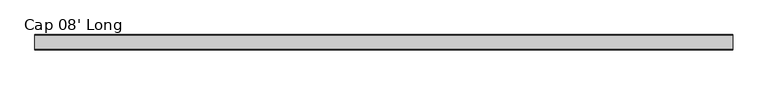
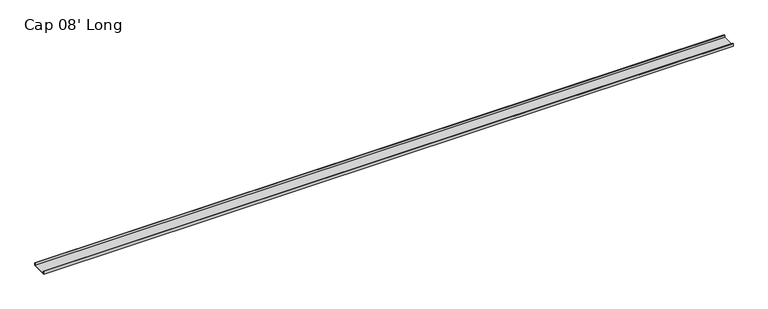
"""IFC4 building model written with IfcOpenShell, lengths in millimetres: furniture geometry, Cap 08' Long."""

from ifc_helpers import new_model, si_unit, frame, origin, place, context, project, spatial, polyline, outline, extrude, source, transform, mapped, element, save


def cap_08_long_244e01dd(model_context):
    return source(origin(), model_context, "Body", "SweptSolid", [
        extrude(outline(polyline([(-27.0002, 2183.13), (-25.2222, 2183.13), (-25.2222, 2175.383), (25.2222, 2175.383), (25.2222, 2183.13), (27.0002, 2183.13), (27.0002, 2173.605), (-27.0002, 2173.605), (-27.0002, 2183.13)])), frame((-1217.2188, 0.0, 0.0), z_axis=(1.0, 0.0, 0.0), x_axis=(0.0, 1.0, 0.0)), (0.0, 0.0, 1.0), 2434.4376),
    ])


if __name__ == "__main__":
    model = new_model("IFC4")
    model_context = context("Model", 3, world=origin())
    ifc_project = project(units=[si_unit("LENGTHUNIT", "METRE", prefix="MILLI")], contexts=[model_context])
    site = spatial("IfcSite", under=ifc_project)
    building = spatial("IfcBuilding", under=site)
    placement = place(None, origin())
    cap_08_long_shape = cap_08_long_244e01dd(model_context)
    element("IfcFurniture", 1, ObjectType="Cap 08' Long", at=placement, inside=building, context=model_context, shape_type="MappedRepresentation", body=[
        mapped(cap_08_long_shape, transform((0.0, 0.0, 0.0), x_axis=(1.0, 0.0, 0.0), y_axis=(0.0, 1.0, 0.0), z_axis=(0.0, 0.0, 1.0))),
    ])
    save(model, "model.ifc")
